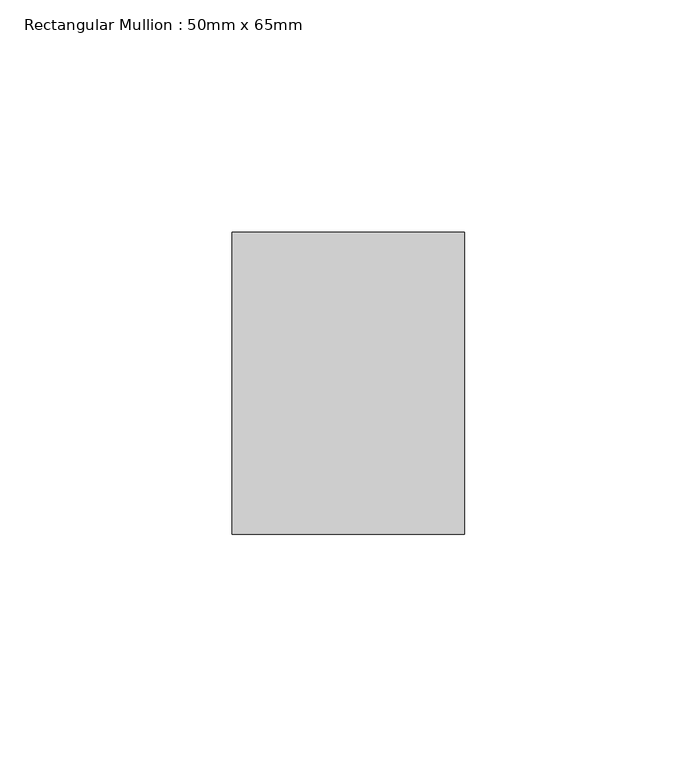
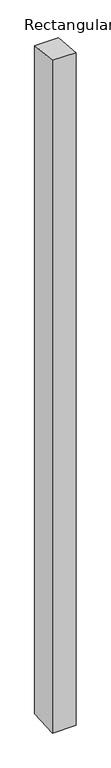
"""IFC4 building model written with IfcOpenShell, lengths in millimetres: member geometry, Rectangular Mullion : 50mm x 65mm."""

from ifc_helpers import new_model, si_unit, origin, place, context, project, spatial, faceted_brep, source, transform, mapped, element, save


def rectangular_mullion_50mm_x_65mm_d4037dea(model_context):
    return source(origin(), model_context, "Body", "Brep", [
        faceted_brep([(-25.0, 32.5, -3.1469359), (25.0, 32.5, -3.1469365), (25.0, 32.5, -1497.8334418), (-25.0, 32.5, -1497.8334422), (-25.0, -32.5, 3.1469365), (-25.0, -32.5, -1502.1653975), (25.0, -32.5, 3.1469359), (25.0, -32.5, -1502.165397)], [[[0, 1, 2, 3]], [[4, 0, 3, 5]], [[6, 4, 5, 7]], [[1, 6, 7, 2]], [[1, 0, 4, 6]], [[2, 7, 5, 3]]]),
    ])


if __name__ == "__main__":
    model = new_model("IFC4")
    model_context = context("Model", 3, world=origin())
    ifc_project = project(units=[si_unit("LENGTHUNIT", "METRE", prefix="MILLI")], contexts=[model_context])
    site = spatial("IfcSite", under=ifc_project)
    building = spatial("IfcBuilding", under=site)
    placement = place(None, origin())
    rectangular_mullion_50mm_x_65mm_shape = rectangular_mullion_50mm_x_65mm_d4037dea(model_context)
    element("IfcMember", 1, ObjectType="Rectangular Mullion : 50mm x 65mm", at=placement, inside=building, context=model_context, shape_type="MappedRepresentation", body=[
        mapped(rectangular_mullion_50mm_x_65mm_shape, transform((0.0, 0.0, 0.0), x_axis=(1.0, 0.0, 0.0), y_axis=(0.0, 1.0, 0.0), z_axis=(0.0, 0.0, 1.0))),
    ])
    save(model, "model.ifc")
